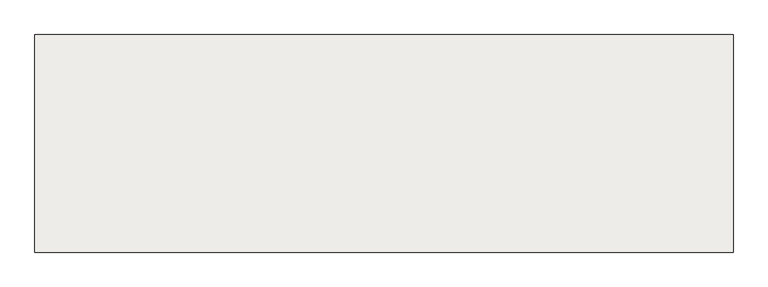
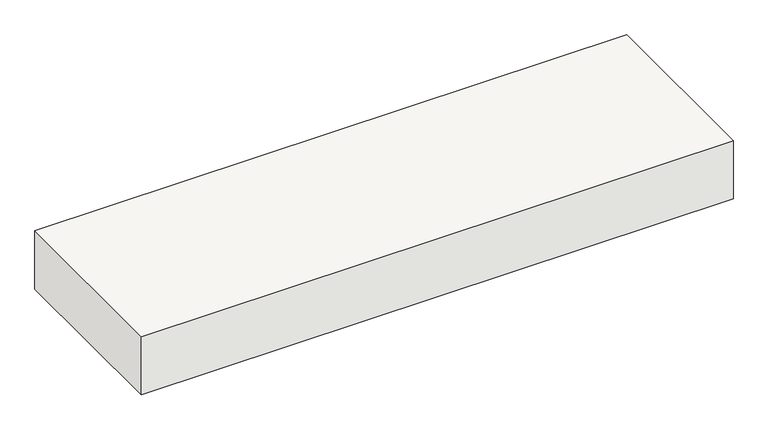
"""IFC4 building model written with IfcOpenShell, lengths in millimetres: slab geometry."""

from ifc_helpers import new_model, si_unit, origin, origin_with_axes, place, context, project, spatial, polyline, outline, extrude, source, transform, mapped, element, save


def slab_28602f7d(model_context):
    return source(origin(), model_context, "Body", "SweptSolid", [
        extrude(outline(polyline([(-7045.3678132, 2601.3156373), (-7045.3678132, 2144.1156373), (-8512.2178132, 2144.1156373), (-8512.2178132, 2601.3156373), (-7045.3678132, 2601.3156373)])), origin_with_axes(), (0.0, 0.0, 1.0), 152.4),
    ])


if __name__ == "__main__":
    model = new_model("IFC4")
    model_context = context("Model", 3, world=origin())
    ifc_project = project(units=[si_unit("LENGTHUNIT", "METRE", prefix="MILLI")], contexts=[model_context])
    site = spatial("IfcSite", under=ifc_project)
    building = spatial("IfcBuilding", under=site)
    placement = place(None, origin())
    slab_shape = slab_28602f7d(model_context)
    element("IfcSlab", 1, at=placement, inside=building, context=model_context, shape_type="MappedRepresentation", body=[
        mapped(slab_shape, transform((0.0, 0.0, 0.0), x_axis=(1.0, 0.0, 0.0), y_axis=(0.0, 1.0, 0.0), z_axis=(0.0, 0.0, 1.0))),
    ])
    save(model, "model.ifc")
